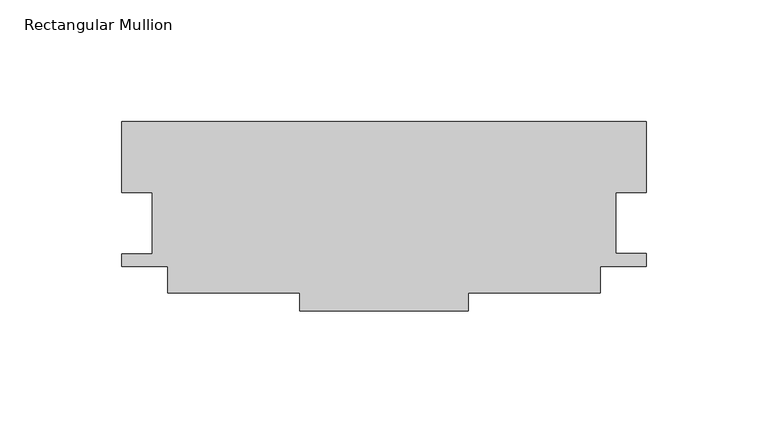
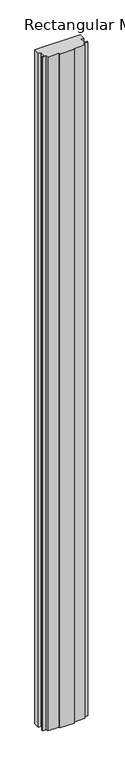
"""IFC4 building model written with IfcOpenShell, lengths in millimetres: member geometry, Rectangular Mullion."""

import ifcopenshell
import ifcopenshell.guid

model = None  # the IFC model being written
_history = None  # IfcOwnerHistory: only IFC2X3 demands one
_inside = {}  # id of a spatial element -> (the spatial element, [elements in it])
_under = {}  # id of a project, library or spatial element -> (it, [spatial elements below it])
_declared = {}  # id of a project -> (the project, [libraries it declares])
_typed = {}  # id of a type object -> (the type object, [elements of that type])
_made_of = {}  # id of a material, layer set ... -> (it, [elements and type objects made of it])


def new_model(schema):
    """Start an empty IFC model of exactly this schema.

    Asked for "IFC4X3", IfcOpenShell would pick the latest addendum, in which some entities
    have other attributes; the version numbers below select the first issue.
    IFC2X3 requires an IfcOwnerHistory on every rooted entity: one is made here for all.
    """
    global model, _history
    if schema == "IFC4X3":
        model = ifcopenshell.file(schema_version=(4, 3, 0, 0))
    else:
        model = ifcopenshell.file(schema=schema)
    _inside.clear()
    _under.clear()
    _declared.clear()
    _typed.clear()
    _made_of.clear()
    _history = None
    if model.schema == "IFC2X3":
        org = make("IfcOrganization", Name="unknown")
        user = make(
            "IfcPersonAndOrganization",
            ThePerson=make("IfcPerson", FamilyName="unknown"),
            TheOrganization=org,
        )
        app = make(
            "IfcApplication",
            ApplicationDeveloper=org,
            Version="unknown",
            ApplicationFullName="unknown",
            ApplicationIdentifier="unknown",
        )
        _history = make(
            "IfcOwnerHistory",
            OwningUser=user,
            OwningApplication=app,
            ChangeAction="ADDED",
            CreationDate=0,
        )
    return model


def make(cls, **values):
    """One entity of the class cls with the attributes given. An attribute that is None is left unset."""
    return model.create_entity(
        cls, **{name: value for name, value in values.items() if value is not None}
    )


def rooted(cls, **values):
    """An entity with a GlobalId (a new one), such as an element, a storey or a relation."""
    return make(cls, GlobalId=ifcopenshell.guid.new(), OwnerHistory=_history, **values)


def si_unit(unit_type, name, prefix=None):
    """IfcSIUnit, for example si_unit("LENGTHUNIT", "METRE", prefix="MILLI")."""
    return make("IfcSIUnit", UnitType=unit_type, Prefix=prefix, Name=name)


def assignment(units):
    """IfcUnitAssignment: the units of a project."""
    return None if units is None else make("IfcUnitAssignment", Units=units)


def point(xyz):
    """IfcCartesianPoint."""
    return None if xyz is None else make("IfcCartesianPoint", Coordinates=xyz)


def direction(xyz):
    """IfcDirection."""
    return None if xyz is None else make("IfcDirection", DirectionRatios=xyz)


def frame(location, z_axis=None, x_axis=None):
    """IfcAxis2Placement3D, a coordinate frame: its origin and axes. An axis left out is left unset."""
    return make(
        "IfcAxis2Placement3D",
        Location=point(location),
        Axis=direction(z_axis),
        RefDirection=direction(x_axis),
    )


def origin():
    """The frame at (0, 0, 0) with its axes left unset."""
    return frame((0.0, 0.0, 0.0))


def place(relative_to, where):
    """IfcLocalPlacement: puts the frame where relative to a parent placement (None: the world)."""
    return make(
        "IfcLocalPlacement", PlacementRelTo=relative_to, RelativePlacement=where
    )


def context(
    kind, dimensions, precision=None, world=None, true_north=None, identifier=None
):
    """IfcGeometricRepresentationContext, for example the 3D "Model" context."""
    return make(
        "IfcGeometricRepresentationContext",
        ContextIdentifier=identifier,
        ContextType=kind,
        CoordinateSpaceDimension=dimensions,
        Precision=precision,
        WorldCoordinateSystem=world,
        TrueNorth=true_north,
    )


def project(units=None, contexts=None):
    """IfcProject with its units and contexts."""
    return rooted(
        "IfcProject",
        Name="project",
        RepresentationContexts=contexts,
        UnitsInContext=assignment(units),
    )


def spatial(cls, under=None, at=None, **own):
    """A site, building, storey or space (cls), placed at a placement, below another one or the project."""
    s = rooted(cls, ObjectPlacement=at, **own)
    if under is not None:
        _under.setdefault(under.id(), (under, []))[1].append(s)
    return s


def polyline(points):
    """IfcPolyline through the points."""
    return make("IfcPolyline", Points=[point(p) for p in points])


def outline(outer, holes=None, kind="AREA"):
    """IfcArbitraryClosedProfileDef: a profile drawn as a closed curve; with holes, ...WithVoids."""
    if holes is None:
        return make("IfcArbitraryClosedProfileDef", ProfileType=kind, OuterCurve=outer)
    return make(
        "IfcArbitraryProfileDefWithVoids",
        ProfileType=kind,
        OuterCurve=outer,
        InnerCurves=holes,
    )


def extrude(swept, where, along, depth):
    """IfcExtrudedAreaSolid: the profile swept, set in the frame where, extruded along a direction by depth."""
    return make(
        "IfcExtrudedAreaSolid",
        SweptArea=swept,
        Position=where,
        ExtrudedDirection=direction(along),
        Depth=depth,
    )


def shape(context_of_items, identifier, shape_type, items):
    """IfcShapeRepresentation: the items that make up one representation, for example the "Body"."""
    return make(
        "IfcShapeRepresentation",
        ContextOfItems=context_of_items,
        RepresentationIdentifier=identifier,
        RepresentationType=shape_type,
        Items=items,
    )


def source(mapping_origin, context_of_items, identifier, shape_type, items):
    """IfcRepresentationMap: a shape defined once, which mapped items show again and again."""
    return make(
        "IfcRepresentationMap",
        MappingOrigin=mapping_origin,
        MappedRepresentation=shape(context_of_items, identifier, shape_type, items),
    )


def transform(
    local_origin,
    x_axis=None,
    y_axis=None,
    z_axis=None,
    scale=None,
    scale2=None,
    scale3=None,
    uniform=True,
):
    """IfcCartesianTransformationOperator3D, or its non-uniform kind. x_axis, y_axis, z_axis: its Axis1, 2, 3."""
    if uniform:
        return make(
            "IfcCartesianTransformationOperator3D",
            Axis1=direction(x_axis),
            Axis2=direction(y_axis),
            LocalOrigin=point(local_origin),
            Scale=scale,
            Axis3=direction(z_axis),
        )
    return make(
        "IfcCartesianTransformationOperator3DnonUniform",
        Axis1=direction(x_axis),
        Axis2=direction(y_axis),
        LocalOrigin=point(local_origin),
        Scale=scale,
        Axis3=direction(z_axis),
        Scale2=scale2,
        Scale3=scale3,
    )


def mapped(mapping_source, mapping_target):
    """IfcMappedItem: shows the shape of a source again, moved by a transform."""
    return make(
        "IfcMappedItem", MappingSource=mapping_source, MappingTarget=mapping_target
    )


def made_of(thing, what):
    """Note that an element or type object is made of a material, layer set ...; save() writes the relation."""
    if what is not None:
        _made_of.setdefault(what.id(), (what, []))[1].append(thing)
    return thing


def element(
    cls,
    number,
    at=None,
    inside=None,
    cuts=None,
    type_object=None,
    material=None,
    context=None,
    identifier="Body",
    shape_type=None,
    held_by="IfcProductDefinitionShape",
    body=None,
    shapes=None,
    **own,
):
    """One element of the class cls, such as IfcWall. Its Tag is "e" and its number.

    at: its placement. inside: the storey or other place that contains it. cuts: it is an
    opening in that element (IfcRelVoidsElement). A single representation is given by context,
    identifier, shape_type and body (its items); several are given by shapes. held_by: the class
    of the entity that holds the representations. save() writes the other relations.
    """
    e = rooted(cls, Tag="e%d" % number, ObjectPlacement=at, **own)
    if body is not None:
        shapes = [shape(context, identifier, shape_type, body)]
    if shapes is not None:
        e.Representation = make(held_by, Representations=shapes)
    if inside is not None:
        _inside.setdefault(inside.id(), (inside, []))[1].append(e)
    if cuts is not None:
        rooted(
            "IfcRelVoidsElement", RelatingBuildingElement=cuts, RelatedOpeningElement=e
        )
    if type_object is not None:
        _typed.setdefault(type_object.id(), (type_object, []))[1].append(e)
    return made_of(e, material)


def aggregate(whole, parts):
    """IfcRelAggregates: a whole, such as a stair, and the parts it consists of."""
    return rooted("IfcRelAggregates", RelatingObject=whole, RelatedObjects=parts)


def save(model, path):
    """Write the relations noted so far, then the file.

    IfcRelAggregates (storeys below a building ...), IfcRelContainedInSpatialStructure (elements
    in a storey), IfcRelDefinesByType, IfcRelAssociatesMaterial and IfcRelDeclares: one each for
    every whole, place, type object, material and project.
    """
    for whole, parts in _under.values():
        aggregate(whole, parts)
    for where, things in _inside.values():
        rooted(
            "IfcRelContainedInSpatialStructure",
            RelatedElements=things,
            RelatingStructure=where,
        )
    for kind, things in _typed.values():
        rooted("IfcRelDefinesByType", RelatedObjects=things, RelatingType=kind)
    for what, things in _made_of.values():
        rooted("IfcRelAssociatesMaterial", RelatedObjects=things, RelatingMaterial=what)
    for by, libraries in _declared.values():
        rooted("IfcRelDeclares", RelatingContext=by, RelatedDefinitions=libraries)
    model.write(path)


def rectangular_mullion_3d84c521(model_context):
    return source(origin(), model_context, "Body", "SweptSolid", [
        extrude(outline(polyline([(-110.0650764, 17.6476663), (-110.0650764, 46.8806894), (105.790565, 46.8806894), (105.790565, 17.5676178), (93.1316728, 17.5676178), (93.1316728, -7.5864592), (105.8010362, -7.5864592), (105.8010362, -12.7938961), (86.7496952, -12.7938961), (86.7496952, -23.8182721), (32.5660003, -23.8182721), (32.5660003, -31.2065743), (-36.8391958, -31.2065743), (-36.8391958, -23.8182721), (-91.0244606, -23.8182721), (-91.0244606, -12.7938961), (-110.0758016, -12.7938961), (-110.0758016, -7.5915539), (-97.3974374, -7.5915539), (-97.3974374, 17.6476663), (-110.0650764, 17.6476663)])), frame((0.0, 0.0, -3381.3933789), z_axis=(0.0, 0.0, 1.0), x_axis=(1.0, 0.0, 0.0)), (0.0, 0.0, 1.0), 3381.3933789),
    ])


if __name__ == "__main__":
    model = new_model("IFC4")
    model_context = context("Model", 3, world=origin())
    ifc_project = project(units=[si_unit("LENGTHUNIT", "METRE", prefix="MILLI")], contexts=[model_context])
    site = spatial("IfcSite", under=ifc_project)
    building = spatial("IfcBuilding", under=site)
    placement = place(None, origin())
    rectangular_mullion_shape = rectangular_mullion_3d84c521(model_context)
    element("IfcMember", 1, ObjectType="Rectangular Mullion", at=placement, inside=building, context=model_context, shape_type="MappedRepresentation", body=[
        mapped(rectangular_mullion_shape, transform((0.0, 0.0, 0.0), x_axis=(1.0, 0.0, 0.0), y_axis=(0.0, 1.0, 0.0), z_axis=(0.0, 0.0, 1.0))),
    ])
    save(model, "model.ifc")
